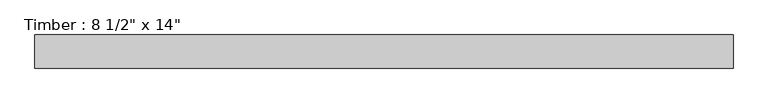
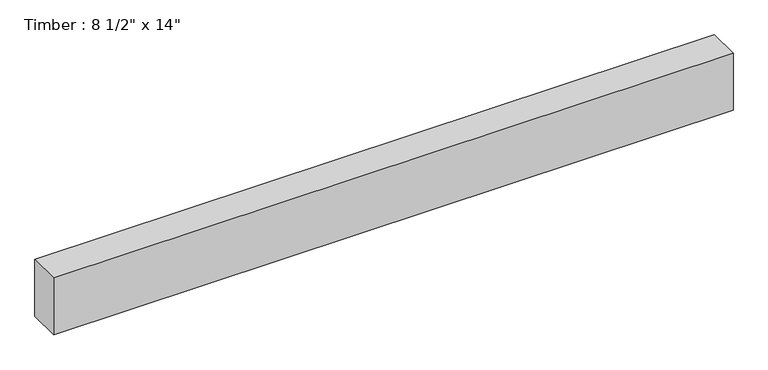
"""IFC4 building model written with IfcOpenShell, lengths in millimetres: beam geometry."""

from ifc_helpers import new_model, si_unit, frame, origin, place, context, project, spatial, polyline, outline, extrude, source, transform, mapped, element, save


def beam_a80f0c24(model_context):
    return source(origin(), model_context, "Body", "SweptSolid", [
        extrude(outline(polyline([(2009.1248688, 95.25), (2009.1248688, -95.25), (-2009.1248688, -95.25), (-2009.1248688, 95.25), (2009.1248688, 95.25)])), frame((0.0, 0.0, -177.8), z_axis=(0.0, 0.0, 1.0), x_axis=(1.0, 0.0, 0.0)), (0.0, 0.0, 1.0), 355.6),
    ])


if __name__ == "__main__":
    model = new_model("IFC4")
    model_context = context("Model", 3, world=origin())
    ifc_project = project(units=[si_unit("LENGTHUNIT", "METRE", prefix="MILLI")], contexts=[model_context])
    site = spatial("IfcSite", under=ifc_project)
    building = spatial("IfcBuilding", under=site)
    placement = place(None, origin())
    beam_shape = beam_a80f0c24(model_context)
    element("IfcBeam", 1, ObjectType="Timber : 8 1/2\" x 14\"", at=placement, inside=building, context=model_context, shape_type="MappedRepresentation", body=[
        mapped(beam_shape, transform((0.0, 0.0, 0.0), x_axis=(1.0, 0.0, 0.0), y_axis=(0.0, 1.0, 0.0), z_axis=(0.0, 0.0, 1.0))),
    ])
    save(model, "model.ifc")
